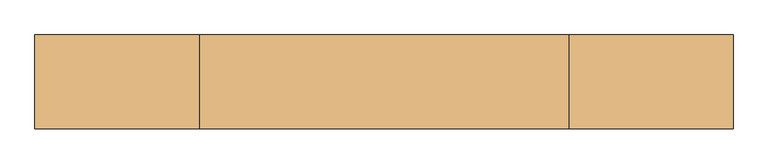
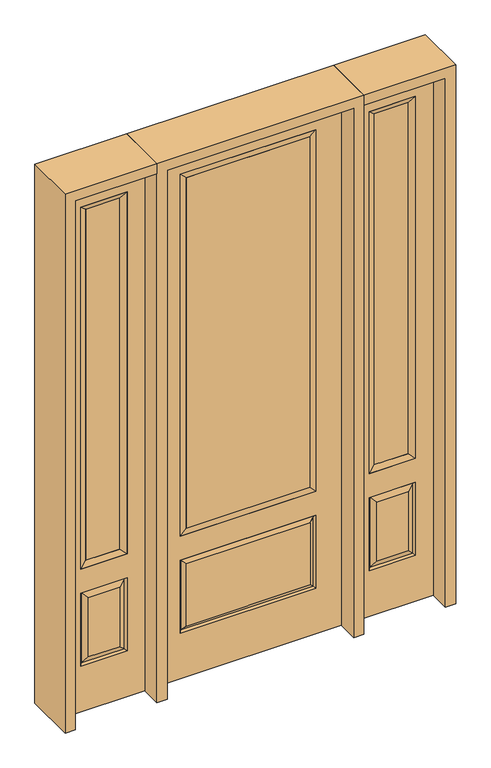
"""IFC4 building model written with IfcOpenShell, lengths in millimetres: door geometry."""

from ifc_helpers import new_model, si_unit, frame, origin, place, context, project, spatial, polyline, outline, extrude, faceted_brep, source, transform, mapped, element, save


def door_1001d52f(model_context):
    return source(origin(), model_context, "Body", "SolidModel", [
        faceted_brep([(450.85, -22.225, 0.0), (806.45, -22.225, 0.0), (806.45, -22.225, 2438.4), (450.85, -22.225, 2438.4), (728.98, -22.225, 2325.624), (728.98, -22.225, 657.098), (528.32, -22.225, 657.098), (528.32, -22.225, 2325.624), (728.98, -22.225, 209.55), (528.32, -22.225, 209.55), (528.32, -22.225, 546.1), (728.98, -22.225, 546.1), (560.0351001, -22.225, 241.2651001), (697.2648999, -22.225, 241.2651001), (697.2648999, -22.225, 514.3848999), (560.0351001, -22.225, 514.3848999), (450.85, 22.225, 0.0), (450.85, 22.225, 2438.4), (806.45, 22.225, 2438.4), (806.45, 22.225, 0.0), (728.98, 22.225, 2325.624), (528.32, 22.225, 2325.624), (528.32, 22.225, 657.098), (728.98, 22.225, 657.098), (528.32, 22.225, 209.55), (728.98, 22.225, 209.55), (728.98, 22.225, 546.1), (528.32, 22.225, 546.1), (697.2648999, 22.225, 241.2651001), (560.0351001, 22.225, 241.2651001), (560.0351001, 22.225, 514.3848999), (697.2648999, 22.225, 514.3848999), (721.8711499, 12.7912373, 216.6588501), (535.4288501, 12.7912373, 216.6588501), (535.4288501, 12.7912373, 538.9911499), (721.8711499, 12.7912373, 538.9911499), (535.4288501, -12.7912373, 216.6588501), (721.8711499, -12.7912373, 216.6588501), (535.4288501, -12.7912373, 538.9911499), (721.8711499, -12.7912373, 538.9911499)], [[[0, 1, 2, 3], [4, 5, 6, 7], [8, 9, 10, 11]], [[12, 13, 14, 15]], [[16, 17, 18, 19], [20, 21, 22, 23], [24, 25, 26, 27]], [[28, 29, 30, 31]], [[1, 0, 16, 19]], [[2, 1, 19, 18]], [[3, 2, 18, 17]], [[0, 3, 17, 16]], [[5, 4, 20, 23]], [[6, 5, 23, 22]], [[7, 6, 22, 21]], [[4, 7, 21, 20]], [[32, 33, 29, 28]], [[33, 32, 25, 24]], [[29, 33, 34, 30]], [[33, 24, 27, 34]], [[30, 34, 35, 31]], [[34, 27, 26, 35]], [[32, 28, 31, 35]], [[25, 32, 35, 26]], [[12, 36, 37, 13]], [[37, 36, 9, 8]], [[36, 12, 15, 38]], [[9, 36, 38, 10]], [[38, 15, 14, 39]], [[10, 38, 39, 11]], [[13, 37, 39, 14]], [[37, 8, 11, 39]]]),
        faceted_brep([(528.32, 22.225, 2325.624), (528.32, -22.225, 2325.624), (728.98, -22.225, 2325.624), (728.98, 22.225, 2325.624), (553.72, 12.7, 2300.224), (703.58, 12.7, 2300.224), (553.72, -12.7, 2300.224), (703.58, -12.7, 2300.224), (728.98, -22.225, 657.098), (728.98, 22.225, 657.098), (703.58, 12.7, 682.498), (703.58, -12.7, 682.498), (528.32, -22.225, 657.098), (528.32, 22.225, 657.098), (553.72, 12.7, 682.498), (553.72, -12.7, 682.498)], [[[0, 1, 2, 3]], [[4, 0, 3, 5]], [[6, 4, 5, 7]], [[1, 6, 7, 2]], [[3, 2, 8, 9]], [[5, 3, 9, 10]], [[7, 5, 10, 11]], [[2, 7, 11, 8]], [[9, 8, 12, 13]], [[10, 9, 13, 14]], [[11, 10, 14, 15]], [[8, 11, 15, 12]], [[13, 12, 1, 0]], [[14, 13, 0, 4]], [[15, 14, 4, 6]], [[12, 15, 6, 1]]]),
        extrude(outline(polyline([(703.58, -12.7), (553.72, -12.7), (553.72, 12.7), (703.58, 12.7), (703.58, -12.7)])), frame((0.0, 0.0, 682.498), z_axis=(0.0, 0.0, 1.0), x_axis=(1.0, 0.0, 0.0)), (0.0, 0.0, 1.0), 1617.726),
        faceted_brep([(-806.45, -22.225, 0.0), (-450.85, -22.225, 0.0), (-450.85, -22.225, 2438.4), (-806.45, -22.225, 2438.4), (-528.32, -22.225, 2325.624), (-528.32, -22.225, 657.098), (-728.98, -22.225, 657.098), (-728.98, -22.225, 2325.624), (-528.32, -22.225, 209.55), (-728.98, -22.225, 209.55), (-728.98, -22.225, 546.1), (-528.32, -22.225, 546.1), (-697.2648999, -22.225, 241.2651001), (-560.0351001, -22.225, 241.2651001), (-560.0351001, -22.225, 514.3848999), (-697.2648999, -22.225, 514.3848999), (-806.45, 22.225, 0.0), (-806.45, 22.225, 2438.4), (-450.85, 22.225, 2438.4), (-450.85, 22.225, 0.0), (-528.32, 22.225, 2325.624), (-728.98, 22.225, 2325.624), (-728.98, 22.225, 657.098), (-528.32, 22.225, 657.098), (-728.98, 22.225, 209.55), (-528.32, 22.225, 209.55), (-528.32, 22.225, 546.1), (-728.98, 22.225, 546.1), (-560.0351001, 22.225, 241.2651001), (-697.2648999, 22.225, 241.2651001), (-697.2648999, 22.225, 514.3848999), (-560.0351001, 22.225, 514.3848999), (-535.4288501, 12.7912373, 216.6588501), (-721.8711499, 12.7912373, 216.6588501), (-721.8711499, 12.7912373, 538.9911499), (-535.4288501, 12.7912373, 538.9911499), (-721.8711499, -12.7912373, 216.6588501), (-535.4288501, -12.7912373, 216.6588501), (-721.8711499, -12.7912373, 538.9911499), (-535.4288501, -12.7912373, 538.9911499)], [[[0, 1, 2, 3], [4, 5, 6, 7], [8, 9, 10, 11]], [[12, 13, 14, 15]], [[16, 17, 18, 19], [20, 21, 22, 23], [24, 25, 26, 27]], [[28, 29, 30, 31]], [[1, 0, 16, 19]], [[2, 1, 19, 18]], [[3, 2, 18, 17]], [[0, 3, 17, 16]], [[5, 4, 20, 23]], [[6, 5, 23, 22]], [[7, 6, 22, 21]], [[4, 7, 21, 20]], [[32, 33, 29, 28]], [[33, 32, 25, 24]], [[29, 33, 34, 30]], [[33, 24, 27, 34]], [[30, 34, 35, 31]], [[34, 27, 26, 35]], [[32, 28, 31, 35]], [[25, 32, 35, 26]], [[12, 36, 37, 13]], [[37, 36, 9, 8]], [[36, 12, 15, 38]], [[9, 36, 38, 10]], [[38, 15, 14, 39]], [[10, 38, 39, 11]], [[13, 37, 39, 14]], [[37, 8, 11, 39]]]),
        faceted_brep([(-728.98, 22.225, 2325.624), (-728.98, -22.225, 2325.624), (-528.32, -22.225, 2325.624), (-528.32, 22.225, 2325.624), (-703.58, 12.7, 2300.224), (-553.72, 12.7, 2300.224), (-703.58, -12.7, 2300.224), (-553.72, -12.7, 2300.224), (-528.32, -22.225, 657.098), (-528.32, 22.225, 657.098), (-553.72, 12.7, 682.498), (-553.72, -12.7, 682.498), (-728.98, -22.225, 657.098), (-728.98, 22.225, 657.098), (-703.58, 12.7, 682.498), (-703.58, -12.7, 682.498)], [[[0, 1, 2, 3]], [[4, 0, 3, 5]], [[6, 4, 5, 7]], [[1, 6, 7, 2]], [[3, 2, 8, 9]], [[5, 3, 9, 10]], [[7, 5, 10, 11]], [[2, 7, 11, 8]], [[9, 8, 12, 13]], [[10, 9, 13, 14]], [[11, 10, 14, 15]], [[8, 11, 15, 12]], [[13, 12, 1, 0]], [[14, 13, 0, 4]], [[15, 14, 4, 6]], [[12, 15, 6, 1]]]),
        extrude(outline(polyline([(-553.72, -12.7), (-703.58, -12.7), (-703.58, 12.7), (-553.72, 12.7), (-553.72, -12.7)])), frame((0.0, 0.0, 682.498), z_axis=(0.0, 0.0, 1.0), x_axis=(1.0, 0.0, 0.0)), (0.0, 0.0, 1.0), 1617.726),
        extrude(outline(polyline([(269.875, -20.32), (-269.875, -20.32), (-269.875, 5.08), (269.875, 5.08), (269.875, -20.32)])), frame((0.0, 0.0, 682.498), z_axis=(0.0, 0.0, 1.0), x_axis=(1.0, 0.0, 0.0)), (0.0, 0.0, 1.0), 1616.202),
        faceted_brep([(-288.1661499, -12.7912373, 216.6588501), (288.1661499, -12.7912373, 216.6588501), (270.66875, -22.225, 234.15625), (-270.66875, -22.225, 234.15625), (-295.275, -22.225, 209.55), (295.275, -22.225, 209.55), (-288.1661499, -12.7912373, 538.9911499), (-295.275, -22.225, 546.1), (270.66875, -22.225, 521.49375), (-270.66875, -22.225, 521.49375), (406.4, -22.225, 2438.4), (-406.4, -22.225, 2438.4), (-406.4, -22.225, 0.0), (406.4, -22.225, 0.0), (295.275, -22.225, 546.1), (295.275, -22.225, 2324.1), (295.275, -22.225, 657.098), (-295.275, -22.225, 657.098), (-295.275, -22.225, 2324.1), (288.1661499, -12.7912373, 538.9911499), (-406.4, 22.225, 2438.4), (-406.4, 22.225, 0.0), (406.4, 22.225, 0.0), (406.4, 22.225, 2438.4), (295.275, 22.225, 2324.1), (295.275, 22.225, 657.098), (-295.275, 22.225, 657.098), (-295.275, 22.225, 2324.1), (-295.275, 22.225, 209.55), (295.275, 22.225, 209.55), (295.275, 22.225, 546.1), (-295.275, 22.225, 546.1), (270.66875, 22.225, 234.15625), (-270.66875, 22.225, 234.15625), (-270.66875, 22.225, 521.49375), (270.66875, 22.225, 521.49375), (-288.1661499, 12.7912373, 216.6588501), (288.1661499, 12.7912373, 216.6588501), (288.1661499, 12.7912373, 538.9911499), (-288.1661499, 12.7912373, 538.9911499)], [[[0, 1, 2, 3]], [[1, 0, 4, 5]], [[4, 0, 6, 7]], [[3, 2, 8, 9]], [[10, 11, 12, 13], [5, 4, 7, 14], [15, 16, 17, 18]], [[1, 5, 14, 19]], [[2, 1, 19, 8]], [[0, 3, 9, 6]], [[7, 6, 19, 14]], [[6, 9, 8, 19]], [[12, 11, 20, 21]], [[13, 12, 21, 22]], [[10, 13, 22, 23]], [[16, 15, 24, 25]], [[17, 16, 25, 26]], [[18, 17, 26, 27]], [[23, 22, 21, 20], [28, 29, 30, 31], [24, 27, 26, 25]], [[32, 33, 34, 35]], [[28, 36, 37, 29]], [[29, 37, 38, 30]], [[39, 31, 30, 38]], [[36, 28, 31, 39]], [[37, 36, 33, 32]], [[33, 36, 39, 34]], [[34, 39, 38, 35]], [[37, 32, 35, 38]], [[11, 10, 23, 20]], [[15, 18, 27, 24]]]),
        faceted_brep([(-295.275, -22.225, 2324.1), (-295.275, 22.225, 2324.1), (-295.275, 22.225, 657.098), (-295.275, -22.225, 657.098), (295.275, 22.225, 657.098), (295.275, -22.225, 657.098), (-269.875, 5.08, 682.498), (269.875, 5.08, 682.498), (295.275, 22.225, 2324.1), (295.275, -22.225, 2324.1), (-269.875, -20.32, 682.498), (269.875, -20.32, 682.498), (-269.875, -20.32, 2298.7), (269.875, -20.32, 2298.7), (-269.875, 5.08, 2298.7), (269.875, 5.08, 2298.7)], [[[0, 1, 2, 3]], [[3, 2, 4, 5]], [[2, 6, 7, 4]], [[5, 4, 8, 9]], [[10, 3, 5, 11]], [[12, 0, 3, 10]], [[11, 5, 9, 13]], [[6, 10, 11, 7]], [[14, 12, 10, 6]], [[7, 11, 13, 15]], [[1, 14, 6, 2]], [[4, 7, 15, 8]], [[9, 8, 1, 0]], [[13, 9, 0, 12]], [[15, 13, 12, 14]], [[8, 15, 14, 1]]]),
        extrude(outline(polyline([(2438.4, -450.85), (2482.85, -450.85), (2482.85, -850.9), (0.0, -850.9), (0.0, -806.45), (2438.4, -806.45), (2438.4, -450.85)])), frame((0.0, -114.3, 0.0), z_axis=(0.0, 1.0, 0.0), x_axis=(0.0, 0.0, 1.0)), (0.0, 0.0, 1.0), 228.6),
        extrude(outline(polyline([(2482.85, -450.85), (0.0, -450.85), (0.0, -406.4), (2438.4, -406.4), (2438.4, 406.4), (0.0, 406.4), (0.0, 450.85), (2482.85, 450.85), (2482.85, -450.85)])), frame((0.0, -114.3, 0.0), z_axis=(0.0, 1.0, 0.0), x_axis=(0.0, 0.0, 1.0)), (0.0, 0.0, 1.0), 228.6),
        extrude(outline(polyline([(0.0, 806.45), (0.0, 850.9), (2482.85, 850.9), (2482.85, 450.85), (2438.4, 450.85), (2438.4, 806.45), (0.0, 806.45)])), frame((0.0, -114.3, 0.0), z_axis=(0.0, 1.0, 0.0), x_axis=(0.0, 0.0, 1.0)), (0.0, 0.0, 1.0), 228.6),
    ])


if __name__ == "__main__":
    model = new_model("IFC4")
    model_context = context("Model", 3, world=origin())
    ifc_project = project(units=[si_unit("LENGTHUNIT", "METRE", prefix="MILLI")], contexts=[model_context])
    site = spatial("IfcSite", under=ifc_project)
    building = spatial("IfcBuilding", under=site)
    placement = place(None, origin())
    door_shape = door_1001d52f(model_context)
    element("IfcDoor", 1, at=placement, inside=building, context=model_context, shape_type="MappedRepresentation", body=[
        mapped(door_shape, transform((0.0, 0.0, 0.0), x_axis=(1.0, 0.0, 0.0), y_axis=(0.0, 1.0, 0.0), z_axis=(0.0, 0.0, 1.0))),
    ])
    save(model, "model.ifc")
